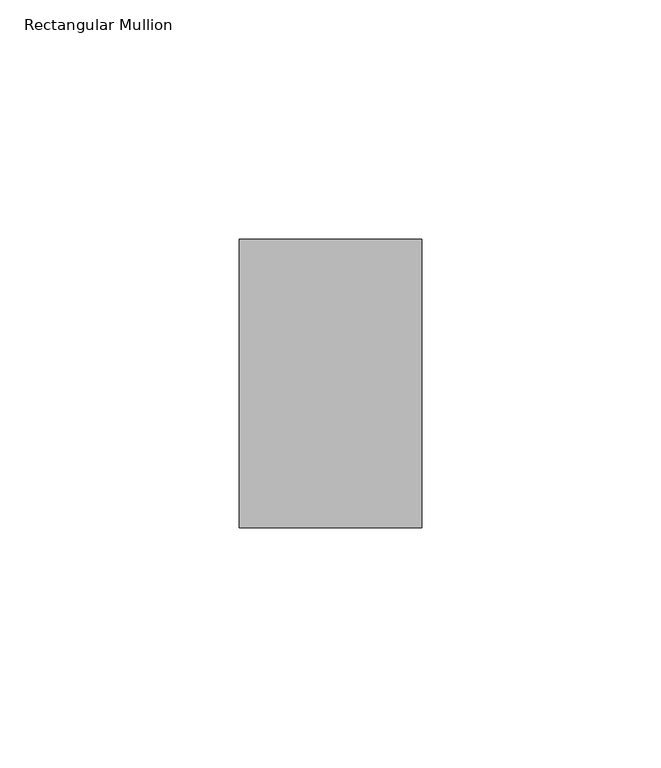
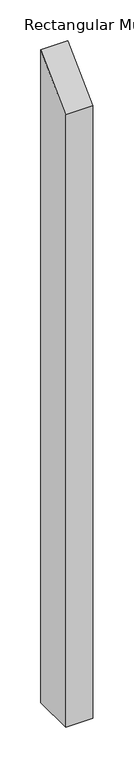
"""IFC4 building model written with IfcOpenShell, lengths in millimetres: member geometry, Rectangular Mullion."""

from ifc_helpers import new_model, si_unit, frame, origin, place, context, project, spatial, polyline, outline, extrude, source, transform, mapped, element, save


def rectangular_mullion_fa5360d1(model_context):
    return source(origin(), model_context, "Body", "SweptSolid", [
        extrude(outline(polyline([(-50.8, -50.8), (9.525, 9.525), (9.525, -963.6125), (-50.8, -963.6125), (-50.8, -50.8)])), frame((-38.1, 0.0, 0.0), z_axis=(1.0, 0.0, 0.0), x_axis=(0.0, 1.0, 0.0)), (0.0, 0.0, 1.0), 38.1),
    ])


if __name__ == "__main__":
    model = new_model("IFC4")
    model_context = context("Model", 3, world=origin())
    ifc_project = project(units=[si_unit("LENGTHUNIT", "METRE", prefix="MILLI")], contexts=[model_context])
    site = spatial("IfcSite", under=ifc_project)
    building = spatial("IfcBuilding", under=site)
    placement = place(None, origin())
    rectangular_mullion_shape = rectangular_mullion_fa5360d1(model_context)
    element("IfcMember", 1, ObjectType="Rectangular Mullion", at=placement, inside=building, context=model_context, shape_type="MappedRepresentation", body=[
        mapped(rectangular_mullion_shape, transform((0.0, 0.0, 0.0), x_axis=(1.0, 0.0, 0.0), y_axis=(0.0, 1.0, 0.0), z_axis=(0.0, 0.0, 1.0))),
    ])
    save(model, "model.ifc")
